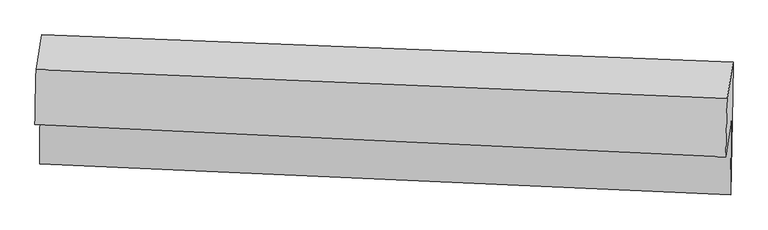
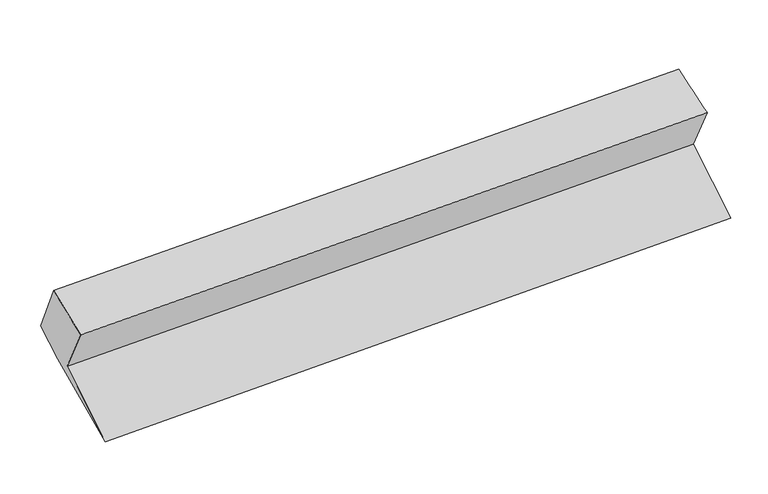
"""IFC4 building model written with IfcOpenShell, lengths in millimetres: proxy geometry."""

from ifc_helpers import new_model, si_unit, frame, origin, place, context, project, spatial, source, transform, mapped, element, save
from ifc_brep_helpers import plane_surface, spline_surface, advanced_brep


def generic_models_7d95efb2(model_context):
    return source(origin(), model_context, "Body", "AdvancedBrep", [
        advanced_brep(
        [(-6158.318243, -1675.7946833, 2138.4526624), (-6107.1135838, -1336.3101028, 1558.901857), (406.7277348, -1640.7455802, 1974.8510405), (355.5230756, -1980.2301607, 2554.401846), (-6111.8410052, -2049.9205493, 1140.4712261), (402.0875645, -2341.1853678, 1564.1431206), (-6096.3385496, -1141.3338998, 1522.4001857), (423.6269429, -1398.9672952, 1873.3220204), (-6094.266748, -828.5927469, 1705.7782157), (425.7033846, -1085.5256942, 2057.1107631), (-6147.480405, -1157.1935172, 2324.809419), (369.4586699, -1432.8436128, 2711.4020752)],
        [
            (0, 1),
            (1, 2),
            (2, 3),
            (3, 0),
            (1, 4),
            (4, 5),
            (5, 2),
            (4, 6),
            (6, 7),
            (7, 5),
            (6, 8),
            (8, 9),
            (9, 7),
            (8, 10),
            (10, 11),
            (11, 9),
            (10, 0),
            (3, 11),
        ],
        [
            plane_surface(frame((-6132.7159134, -1506.052393, 1848.6772597), z_axis=(-0.00800353110049315, -0.8625254832968282, -0.5059503277531269), x_axis=(0.07601525590759063, 0.5039777175402528, -0.8603651208017563))),
            plane_surface(frame((-6109.4772945, -1693.115326, 1349.6865415), z_axis=(-0.07847876923652952, -0.5038690250529937, 0.8602075844650902), x_axis=(-0.005714606360866858, -0.8626273075301657, -0.5058077417135856))),
            spline_surface(1, 1, [[(-6111.8410052, -2049.9205493, 1140.4712261), (402.0875645, -2341.1853678, 1564.1431206)], [(-6096.3385496, -1141.3338998, 1522.4001857), (423.6269429, -1398.9672952, 1873.3220204)]], [2, 2], [2, 2], [0.0, 1.0], [0.0, 1.0]),
            plane_surface(frame((-6095.3026488, -984.9633234, 1614.0892007), z_axis=(0.06626813351242018, 0.5043774213626695, -0.8609366708999707), x_axis=(0.00571460636086677, 0.8626273075301385, 0.505807741713632))),
            plane_surface(frame((-6120.8735765, -992.893132, 2015.2938174), z_axis=(0.009493842188286698, 0.882891095948197, 0.4694818203678344), x_axis=(-0.07571036282171897, -0.4675206512014089, 0.8807340016495413))),
            spline_surface(1, 1, [[(-6147.480405, -1157.1935172, 2324.809419), (369.4586699, -1432.8436128, 2711.4020752)], [(-6158.318243, -1675.7946833, 2138.4526624), (355.5230756, -1980.2301607, 2554.401846)]], [2, 2], [2, 2], [0.0, 1.0], [0.0, 1.0]),
            plane_surface(frame((397.1878954, -1646.5829518, 2122.5384776), z_axis=(0.9970902788330869, -0.043365752918401, 0.0626928012643969), x_axis=(-0.07571036282171897, -0.4675206512014089, 0.8807340016495413))),
            plane_surface(frame((-6119.2264224, -1364.8575832, 1731.802261), z_axis=(-0.9970902788330864, 0.04336575291840766, -0.06269280126439983), x_axis=(0.019663165697862507, 0.9409017416858473, 0.338108373760955))),
        ],
        [
            (0, [[1, 2, 3, 4]]),
            (1, [[5, 6, 7, -2]]),
            (2, [[8, 9, 10, -6]]),
            (3, [[11, 12, 13, -9]]),
            (4, [[14, 15, 16, -12]]),
            (5, [[17, -4, 18, -15]]),
            (6, [[-16, -18, -3, -7, -10, -13]]),
            (7, [[-17, -14, -11, -8, -5, -1]]),
        ],
    ),
    ])


if __name__ == "__main__":
    model = new_model("IFC4")
    model_context = context("Model", 3, world=origin())
    ifc_project = project(units=[si_unit("LENGTHUNIT", "METRE", prefix="MILLI")], contexts=[model_context])
    site = spatial("IfcSite", under=ifc_project)
    building = spatial("IfcBuilding", under=site)
    placement = place(None, origin())
    generic_models_shape = generic_models_7d95efb2(model_context)
    element("IfcBuildingElementProxy", 1, Name="Generic Models", at=placement, inside=building, context=model_context, shape_type="MappedRepresentation", body=[
        mapped(generic_models_shape, transform((0.0, 0.0, 0.0), x_axis=(1.0, 0.0, 0.0), y_axis=(0.0, 1.0, 0.0), z_axis=(0.0, 0.0, 1.0))),
    ])
    save(model, "model.ifc")
